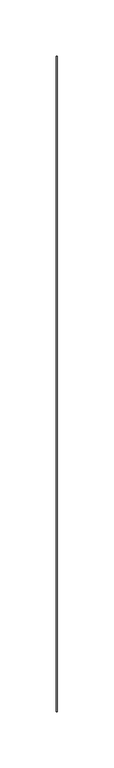
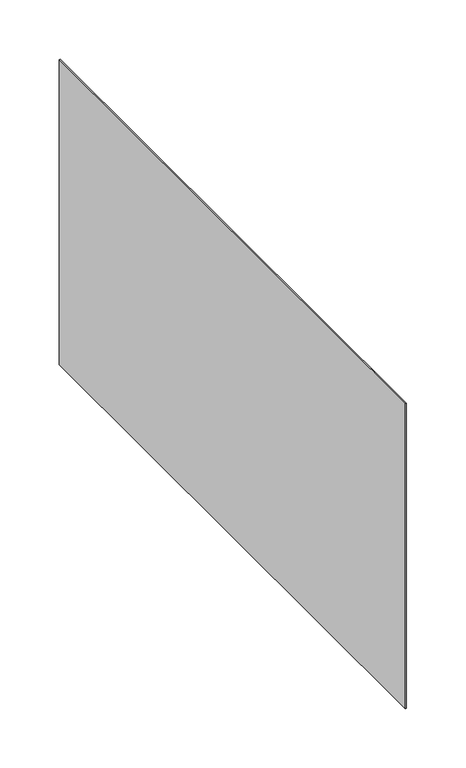
"""IFC4 building model written with IfcOpenShell, lengths in millimetres: proxy geometry."""

import ifcopenshell
import ifcopenshell.guid

model = None  # the IFC model being written
_history = None  # IfcOwnerHistory: only IFC2X3 demands one
_inside = {}  # id of a spatial element -> (the spatial element, [elements in it])
_under = {}  # id of a project, library or spatial element -> (it, [spatial elements below it])
_declared = {}  # id of a project -> (the project, [libraries it declares])
_typed = {}  # id of a type object -> (the type object, [elements of that type])
_made_of = {}  # id of a material, layer set ... -> (it, [elements and type objects made of it])


def new_model(schema):
    """Start an empty IFC model of exactly this schema.

    Asked for "IFC4X3", IfcOpenShell would pick the latest addendum, in which some entities
    have other attributes; the version numbers below select the first issue.
    IFC2X3 requires an IfcOwnerHistory on every rooted entity: one is made here for all.
    """
    global model, _history
    if schema == "IFC4X3":
        model = ifcopenshell.file(schema_version=(4, 3, 0, 0))
    else:
        model = ifcopenshell.file(schema=schema)
    _inside.clear()
    _under.clear()
    _declared.clear()
    _typed.clear()
    _made_of.clear()
    _history = None
    if model.schema == "IFC2X3":
        org = make("IfcOrganization", Name="unknown")
        user = make(
            "IfcPersonAndOrganization",
            ThePerson=make("IfcPerson", FamilyName="unknown"),
            TheOrganization=org,
        )
        app = make(
            "IfcApplication",
            ApplicationDeveloper=org,
            Version="unknown",
            ApplicationFullName="unknown",
            ApplicationIdentifier="unknown",
        )
        _history = make(
            "IfcOwnerHistory",
            OwningUser=user,
            OwningApplication=app,
            ChangeAction="ADDED",
            CreationDate=0,
        )
    return model


def make(cls, **values):
    """One entity of the class cls with the attributes given. An attribute that is None is left unset."""
    return model.create_entity(
        cls, **{name: value for name, value in values.items() if value is not None}
    )


def rooted(cls, **values):
    """An entity with a GlobalId (a new one), such as an element, a storey or a relation."""
    return make(cls, GlobalId=ifcopenshell.guid.new(), OwnerHistory=_history, **values)


def si_unit(unit_type, name, prefix=None):
    """IfcSIUnit, for example si_unit("LENGTHUNIT", "METRE", prefix="MILLI")."""
    return make("IfcSIUnit", UnitType=unit_type, Prefix=prefix, Name=name)


def assignment(units):
    """IfcUnitAssignment: the units of a project."""
    return None if units is None else make("IfcUnitAssignment", Units=units)


def point(xyz):
    """IfcCartesianPoint."""
    return None if xyz is None else make("IfcCartesianPoint", Coordinates=xyz)


def direction(xyz):
    """IfcDirection."""
    return None if xyz is None else make("IfcDirection", DirectionRatios=xyz)


def frame(location, z_axis=None, x_axis=None):
    """IfcAxis2Placement3D, a coordinate frame: its origin and axes. An axis left out is left unset."""
    return make(
        "IfcAxis2Placement3D",
        Location=point(location),
        Axis=direction(z_axis),
        RefDirection=direction(x_axis),
    )


def origin():
    """The frame at (0, 0, 0) with its axes left unset."""
    return frame((0.0, 0.0, 0.0))


def place(relative_to, where):
    """IfcLocalPlacement: puts the frame where relative to a parent placement (None: the world)."""
    return make(
        "IfcLocalPlacement", PlacementRelTo=relative_to, RelativePlacement=where
    )


def context(
    kind, dimensions, precision=None, world=None, true_north=None, identifier=None
):
    """IfcGeometricRepresentationContext, for example the 3D "Model" context."""
    return make(
        "IfcGeometricRepresentationContext",
        ContextIdentifier=identifier,
        ContextType=kind,
        CoordinateSpaceDimension=dimensions,
        Precision=precision,
        WorldCoordinateSystem=world,
        TrueNorth=true_north,
    )


def project(units=None, contexts=None):
    """IfcProject with its units and contexts."""
    return rooted(
        "IfcProject",
        Name="project",
        RepresentationContexts=contexts,
        UnitsInContext=assignment(units),
    )


def spatial(cls, under=None, at=None, **own):
    """A site, building, storey or space (cls), placed at a placement, below another one or the project."""
    s = rooted(cls, ObjectPlacement=at, **own)
    if under is not None:
        _under.setdefault(under.id(), (under, []))[1].append(s)
    return s


def polyline(points):
    """IfcPolyline through the points."""
    return make("IfcPolyline", Points=[point(p) for p in points])


def outline(outer, holes=None, kind="AREA"):
    """IfcArbitraryClosedProfileDef: a profile drawn as a closed curve; with holes, ...WithVoids."""
    if holes is None:
        return make("IfcArbitraryClosedProfileDef", ProfileType=kind, OuterCurve=outer)
    return make(
        "IfcArbitraryProfileDefWithVoids",
        ProfileType=kind,
        OuterCurve=outer,
        InnerCurves=holes,
    )


def extrude(swept, where, along, depth):
    """IfcExtrudedAreaSolid: the profile swept, set in the frame where, extruded along a direction by depth."""
    return make(
        "IfcExtrudedAreaSolid",
        SweptArea=swept,
        Position=where,
        ExtrudedDirection=direction(along),
        Depth=depth,
    )


def shape(context_of_items, identifier, shape_type, items):
    """IfcShapeRepresentation: the items that make up one representation, for example the "Body"."""
    return make(
        "IfcShapeRepresentation",
        ContextOfItems=context_of_items,
        RepresentationIdentifier=identifier,
        RepresentationType=shape_type,
        Items=items,
    )


def source(mapping_origin, context_of_items, identifier, shape_type, items):
    """IfcRepresentationMap: a shape defined once, which mapped items show again and again."""
    return make(
        "IfcRepresentationMap",
        MappingOrigin=mapping_origin,
        MappedRepresentation=shape(context_of_items, identifier, shape_type, items),
    )


def transform(
    local_origin,
    x_axis=None,
    y_axis=None,
    z_axis=None,
    scale=None,
    scale2=None,
    scale3=None,
    uniform=True,
):
    """IfcCartesianTransformationOperator3D, or its non-uniform kind. x_axis, y_axis, z_axis: its Axis1, 2, 3."""
    if uniform:
        return make(
            "IfcCartesianTransformationOperator3D",
            Axis1=direction(x_axis),
            Axis2=direction(y_axis),
            LocalOrigin=point(local_origin),
            Scale=scale,
            Axis3=direction(z_axis),
        )
    return make(
        "IfcCartesianTransformationOperator3DnonUniform",
        Axis1=direction(x_axis),
        Axis2=direction(y_axis),
        LocalOrigin=point(local_origin),
        Scale=scale,
        Axis3=direction(z_axis),
        Scale2=scale2,
        Scale3=scale3,
    )


def mapped(mapping_source, mapping_target):
    """IfcMappedItem: shows the shape of a source again, moved by a transform."""
    return make(
        "IfcMappedItem", MappingSource=mapping_source, MappingTarget=mapping_target
    )


def made_of(thing, what):
    """Note that an element or type object is made of a material, layer set ...; save() writes the relation."""
    if what is not None:
        _made_of.setdefault(what.id(), (what, []))[1].append(thing)
    return thing


def element(
    cls,
    number,
    at=None,
    inside=None,
    cuts=None,
    type_object=None,
    material=None,
    context=None,
    identifier="Body",
    shape_type=None,
    held_by="IfcProductDefinitionShape",
    body=None,
    shapes=None,
    **own,
):
    """One element of the class cls, such as IfcWall. Its Tag is "e" and its number.

    at: its placement. inside: the storey or other place that contains it. cuts: it is an
    opening in that element (IfcRelVoidsElement). A single representation is given by context,
    identifier, shape_type and body (its items); several are given by shapes. held_by: the class
    of the entity that holds the representations. save() writes the other relations.
    """
    e = rooted(cls, Tag="e%d" % number, ObjectPlacement=at, **own)
    if body is not None:
        shapes = [shape(context, identifier, shape_type, body)]
    if shapes is not None:
        e.Representation = make(held_by, Representations=shapes)
    if inside is not None:
        _inside.setdefault(inside.id(), (inside, []))[1].append(e)
    if cuts is not None:
        rooted(
            "IfcRelVoidsElement", RelatingBuildingElement=cuts, RelatedOpeningElement=e
        )
    if type_object is not None:
        _typed.setdefault(type_object.id(), (type_object, []))[1].append(e)
    return made_of(e, material)


def aggregate(whole, parts):
    """IfcRelAggregates: a whole, such as a stair, and the parts it consists of."""
    return rooted("IfcRelAggregates", RelatingObject=whole, RelatedObjects=parts)


def save(model, path):
    """Write the relations noted so far, then the file.

    IfcRelAggregates (storeys below a building ...), IfcRelContainedInSpatialStructure (elements
    in a storey), IfcRelDefinesByType, IfcRelAssociatesMaterial and IfcRelDeclares: one each for
    every whole, place, type object, material and project.
    """
    for whole, parts in _under.values():
        aggregate(whole, parts)
    for where, things in _inside.values():
        rooted(
            "IfcRelContainedInSpatialStructure",
            RelatedElements=things,
            RelatingStructure=where,
        )
    for kind, things in _typed.values():
        rooted("IfcRelDefinesByType", RelatedObjects=things, RelatingType=kind)
    for what, things in _made_of.values():
        rooted("IfcRelAssociatesMaterial", RelatedObjects=things, RelatingMaterial=what)
    for by, libraries in _declared.values():
        rooted("IfcRelDeclares", RelatingContext=by, RelatedDefinitions=libraries)
    model.write(path)


def generic_models_8e78b0f8(model_context):
    return source(origin(), model_context, "Body", "SweptSolid", [
        extrude(outline(polyline([(1.0, -292.0), (0.0, -292.0), (0.0, 291.1), (1.0, 291.1), (1.0, -292.0)])), frame((0.0, 0.0, -149.3), z_axis=(0.0, 0.0, 1.0), x_axis=(1.0, 0.0, 0.0)), (0.0, 0.0, 1.0), 314.003448),
    ])


if __name__ == "__main__":
    model = new_model("IFC4")
    model_context = context("Model", 3, world=origin())
    ifc_project = project(units=[si_unit("LENGTHUNIT", "METRE", prefix="MILLI")], contexts=[model_context])
    site = spatial("IfcSite", under=ifc_project)
    building = spatial("IfcBuilding", under=site)
    placement = place(None, origin())
    generic_models_shape = generic_models_8e78b0f8(model_context)
    element("IfcBuildingElementProxy", 1, Name="Generic Models", at=placement, inside=building, context=model_context, shape_type="MappedRepresentation", body=[
        mapped(generic_models_shape, transform((0.0, 0.0, 0.0), x_axis=(1.0, 0.0, 0.0), y_axis=(0.0, 1.0, 0.0), z_axis=(0.0, 0.0, 1.0))),
    ])
    save(model, "model.ifc")
